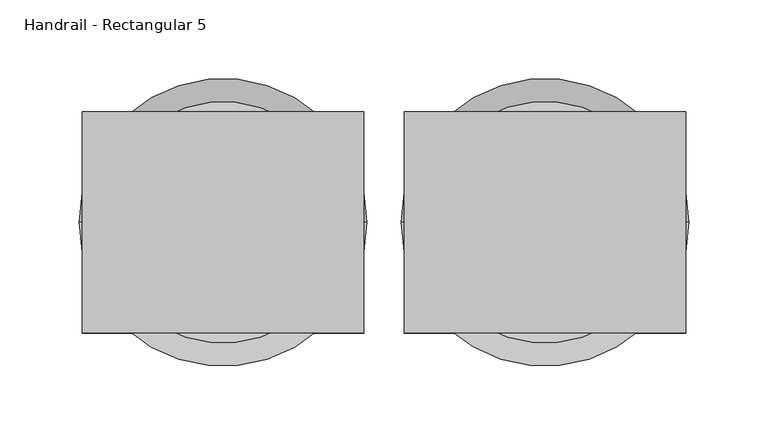
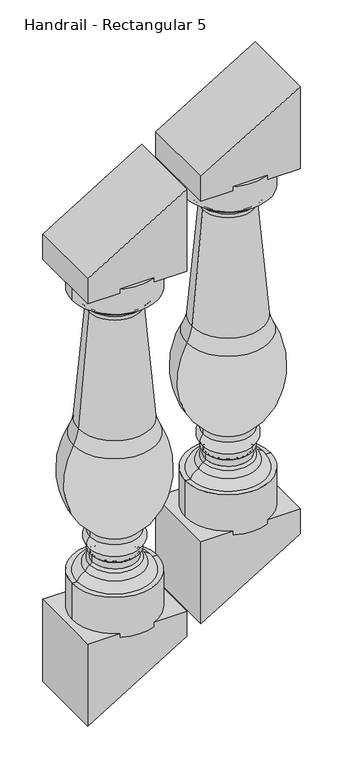
"""IFC4 building model written with IfcOpenShell, lengths in millimetres: railing geometry, Handrail - Rectangular 5."""

from ifc_helpers import new_model, si_unit, point, frame, origin, place, context, project, spatial, polyline, circle_curve, ellipse_curve, trimmed, outline, extrude, source, transform, mapped, element, save
from ifc_brep_helpers import plane_surface, cylinder_surface, revolved_surface, advanced_brep


def handrail_rectangular_5_54783609(model_context):
    return source(origin(), model_context, "Body", "SolidModel", [
        advanced_brep(
        [(13604.1027138, 4021.0919589, 1219.3905327), (13756.5027138, 4021.0919589, 1219.3905327), (13680.3027138, 4021.0919589, 1219.3905327), (13604.1027138, 4021.0919589, 1171.7146082), (13756.5027138, 4021.0919589, 1171.7146082), (13614.145945, 4021.0919589, 1171.7146082), (13746.4594825, 4021.0919589, 1171.7146082), (13625.6292349, 4021.0919589, 1160.2313184), (13734.9761926, 4021.0919589, 1160.2313184), (13625.6292349, 4021.0919589, 1154.6116619), (13734.9761926, 4021.0919589, 1154.6116619), (13631.331422, 4021.0919589, 1148.4672302), (13729.2740055, 4021.0919589, 1148.4672302), (13634.6732178, 4021.0919589, 1139.1084073), (13725.9322097, 4021.0919589, 1139.1084073), (13615.9057118, 4021.0919589, 923.7413545), (13744.6997157, 4021.0919589, 923.7413545), (13606.8884892, 4021.0919589, 895.7781171), (13753.7169383, 4021.0919589, 895.7781171), (13636.1593215, 4021.0919589, 723.0348628), (13724.4461061, 4021.0919589, 723.0348628), (13636.1593215, 4021.0919589, 712.7092481), (13724.4461061, 4021.0919589, 712.7092481), (13636.1593215, 4021.0919589, 690.1337978), (13724.4461061, 4021.0919589, 690.1337978), (13636.1593215, 4021.0919589, 679.8081831), (13724.4461061, 4021.0919589, 679.8081831), (13640.4697617, 4021.0919589, 675.4977429), (13720.1356658, 4021.0919589, 675.4977429), (13640.4697617, 4021.0919589, 663.7008538), (13720.1356658, 4021.0919589, 663.7008538), (13635.9719686, 4021.0919589, 659.3944871), (13724.6334589, 4021.0919589, 659.3944871), (13628.4515116, 4021.0919589, 649.3463196), (13732.1539159, 4021.0919589, 649.3463196), (13613.3029029, 4021.0919589, 635.1905327), (13747.3025247, 4021.0919589, 635.1905327), (13604.1027138, 4021.0919589, 635.1905327), (13756.5027138, 4021.0919589, 635.1905327), (13604.1027138, 4021.0919589, 558.9905327), (13756.5027138, 4021.0919589, 558.9905327), (13680.3027138, 4021.0919589, 558.9905327)],
        [
            (0, 1, circle_curve(frame((13680.3027138, 4021.0919589, 1219.3905327), z_axis=(0.0, 0.0, 1.0), x_axis=(1.0, 0.0, 0.0)), 76.2)),
            (1, 2),
            (2, 0),
            (1, 0, circle_curve(frame((13680.3027138, 4021.0919589, 1219.3905327), z_axis=(0.0, 0.0, 1.0), x_axis=(1.0, 0.0, 0.0)), 76.2)),
            (3, 4, circle_curve(frame((13680.3027138, 4021.0919589, 1171.7146082), z_axis=(0.0, 0.0, 1.0), x_axis=(1.0, 0.0, 0.0)), 76.2)),
            (4, 1),
            (0, 3),
            (4, 3, circle_curve(frame((13680.3027138, 4021.0919589, 1171.7146082), z_axis=(0.0, 0.0, 1.0), x_axis=(1.0, 0.0, 0.0)), 76.2)),
            (5, 6, circle_curve(frame((13680.3027138, 4021.0919589, 1171.7146082), z_axis=(0.0, 0.0, 1.0), x_axis=(1.0, 0.0, 0.0)), 66.1567687)),
            (6, 4),
            (3, 5),
            (6, 5, circle_curve(frame((13680.3027138, 4021.0919589, 1171.7146082), z_axis=(0.0, 0.0, 1.0), x_axis=(1.0, 0.0, 0.0)), 66.1567687)),
            (7, 8, circle_curve(frame((13680.3027138, 4021.0919589, 1160.2313184), z_axis=(0.0, 0.0, 1.0), x_axis=(1.0, 0.0, 0.0)), 54.6734788)),
            (8, 6, circle_curve(frame((13734.9761926, 4021.0919589, 1171.7146082), z_axis=(0.0, -1.0, 0.0), x_axis=(-1.0, 0.0, 0.0)), 11.4832899)),
            (5, 7, circle_curve(frame((13625.6292349, 4021.0919589, 1171.7146082), z_axis=(0.0, -1.0, 0.0), x_axis=(1.0, 0.0, 0.0)), 11.4832899)),
            (8, 7, circle_curve(frame((13680.3027138, 4021.0919589, 1160.2313184), z_axis=(0.0, 0.0, 1.0), x_axis=(1.0, 0.0, 0.0)), 54.6734788)),
            (9, 10, circle_curve(frame((13680.3027138, 4021.0919589, 1154.6116619), z_axis=(0.0, 0.0, 1.0), x_axis=(1.0, 0.0, 0.0)), 54.6734788)),
            (10, 8),
            (7, 9),
            (10, 9, circle_curve(frame((13680.3027138, 4021.0919589, 1154.6116619), z_axis=(0.0, 0.0, 1.0), x_axis=(1.0, 0.0, 0.0)), 54.6734788)),
            (11, 12, circle_curve(frame((13680.3027138, 4021.0919589, 1148.4672302), z_axis=(0.0, 0.0, 1.0), x_axis=(1.0, 0.0, 0.0)), 48.9712918)),
            (12, 10, circle_curve(frame((13742.685053, 4021.0919589, 1141.7395432), z_axis=(0.0, 1.0, 0.0), x_axis=(-1.0, 0.0, 0.0)), 15.0039317)),
            (9, 11, circle_curve(frame((13617.9203745, 4021.0919589, 1141.7395432), z_axis=(0.0, 1.0, 0.0), x_axis=(1.0, 0.0, 0.0)), 15.0039317)),
            (12, 11, circle_curve(frame((13680.3027138, 4021.0919589, 1148.4672302), z_axis=(0.0, 0.0, 1.0), x_axis=(1.0, 0.0, 0.0)), 48.9712918)),
            (13, 14, circle_curve(frame((13680.3027138, 4021.0919589, 1139.1084073), z_axis=(0.0, 0.0, 1.0), x_axis=(1.0, 0.0, 0.0)), 45.629496)),
            (14, 12, circle_curve(frame((13738.6100981, 4021.0919589, 1139.8575046), z_axis=(0.0, 1.0, 0.0), x_axis=(-1.0, 0.0, 0.0)), 12.7)),
            (11, 13, circle_curve(frame((13621.9953294, 4021.0919589, 1139.8575046), z_axis=(0.0, 1.0, 0.0), x_axis=(1.0, 0.0, 0.0)), 12.7)),
            (14, 13, circle_curve(frame((13680.3027138, 4021.0919589, 1139.1084073), z_axis=(0.0, 0.0, 1.0), x_axis=(1.0, 0.0, 0.0)), 45.629496)),
            (15, 16, circle_curve(frame((13680.3027138, 4021.0919589, 923.7413545), z_axis=(0.0, 0.0, 1.0), x_axis=(1.0, 0.0, 0.0)), 64.3970019)),
            (16, 14, circle_curve(frame((17593.3737342, 4021.0919589, 1367.6235767), z_axis=(0.0, 1.0, 0.0), x_axis=(-1.0, 0.0, 0.0)), 3874.1867698)),
            (13, 15, circle_curve(frame((9767.2316934, 4021.0919589, 1367.6235767), z_axis=(0.0, 1.0, 0.0), x_axis=(1.0, 0.0, 0.0)), 3874.1867698)),
            (16, 15, circle_curve(frame((13680.3027138, 4021.0919589, 923.7413545), z_axis=(0.0, 0.0, 1.0), x_axis=(1.0, 0.0, 0.0)), 64.3970019)),
            (17, 18, circle_curve(frame((13680.3027138, 4021.0919589, 895.7781171), z_axis=(0.0, 0.0, 1.0), x_axis=(1.0, 0.0, 0.0)), 73.4142246)),
            (18, 16, circle_curve(frame((13819.2193683, 4021.0919589, 932.3359897), z_axis=(0.0, 1.0, 0.0), x_axis=(-1.0, 0.0, 0.0)), 75.0136413)),
            (15, 17, circle_curve(frame((13541.3860592, 4021.0919589, 932.3359897), z_axis=(0.0, 1.0, 0.0), x_axis=(1.0, 0.0, 0.0)), 75.0136413)),
            (18, 17, circle_curve(frame((13680.3027138, 4021.0919589, 895.7781171), z_axis=(0.0, 0.0, 1.0), x_axis=(1.0, 0.0, 0.0)), 73.4142246)),
            (19, 20, circle_curve(frame((13680.3027138, 4021.0919589, 723.0348628), z_axis=(0.0, 0.0, 1.0), x_axis=(1.0, 0.0, 0.0)), 44.1433923)),
            (20, 18, circle_curve(frame((13631.594589, 4021.0919589, 827.6198321), z_axis=(0.0, -1.0, 0.0), x_axis=(-1.0, 0.0, 0.0)), 139.8549964)),
            (17, 19, circle_curve(frame((13729.0108385, 4021.0919589, 827.6198321), z_axis=(0.0, -1.0, 0.0), x_axis=(1.0, 0.0, 0.0)), 139.8549964)),
            (20, 19, circle_curve(frame((13680.3027138, 4021.0919589, 723.0348628), z_axis=(0.0, 0.0, 1.0), x_axis=(1.0, 0.0, 0.0)), 44.1433923)),
            (21, 22, circle_curve(frame((13680.3027138, 4021.0919589, 712.7092481), z_axis=(0.0, 0.0, 1.0), x_axis=(1.0, 0.0, 0.0)), 44.1433923)),
            (22, 20),
            (19, 21),
            (22, 21, circle_curve(frame((13680.3027138, 4021.0919589, 712.7092481), z_axis=(0.0, 0.0, 1.0), x_axis=(1.0, 0.0, 0.0)), 44.1433923)),
            (23, 24, circle_curve(frame((13680.3027138, 4021.0919589, 690.1337978), z_axis=(0.0, 0.0, 1.0), x_axis=(1.0, 0.0, 0.0)), 44.1433923)),
            (24, 22, circle_curve(frame((13716.1540782, 4021.0919589, 701.421523), z_axis=(0.0, -1.0, 0.0), x_axis=(-1.0, 0.0, 0.0)), 14.0060867)),
            (21, 23, circle_curve(frame((13644.4513493, 4021.0919589, 701.421523), z_axis=(0.0, -1.0, 0.0), x_axis=(1.0, 0.0, 0.0)), 14.0060867)),
            (24, 23, circle_curve(frame((13680.3027138, 4021.0919589, 690.1337978), z_axis=(0.0, 0.0, 1.0), x_axis=(1.0, 0.0, 0.0)), 44.1433923)),
            (25, 26, circle_curve(frame((13680.3027138, 4021.0919589, 679.8081831), z_axis=(0.0, 0.0, 1.0), x_axis=(1.0, 0.0, 0.0)), 44.1433923)),
            (26, 24),
            (23, 25),
            (26, 25, circle_curve(frame((13680.3027138, 4021.0919589, 679.8081831), z_axis=(0.0, 0.0, 1.0), x_axis=(1.0, 0.0, 0.0)), 44.1433923)),
            (27, 28, circle_curve(frame((13680.3027138, 4021.0919589, 675.4977429), z_axis=(0.0, 0.0, 1.0), x_axis=(1.0, 0.0, 0.0)), 39.8329521)),
            (28, 26, circle_curve(frame((13724.4461061, 4021.0919589, 675.4977429), z_axis=(0.0, 1.0, 0.0), x_axis=(-1.0, 0.0, 0.0)), 4.3104402)),
            (25, 27, circle_curve(frame((13636.1593215, 4021.0919589, 675.4977429), z_axis=(0.0, 1.0, 0.0), x_axis=(1.0, 0.0, 0.0)), 4.3104402)),
            (28, 27, circle_curve(frame((13680.3027138, 4021.0919589, 675.4977429), z_axis=(0.0, 0.0, 1.0), x_axis=(1.0, 0.0, 0.0)), 39.8329521)),
            (29, 30, circle_curve(frame((13680.3027138, 4021.0919589, 663.7008538), z_axis=(0.0, 0.0, 1.0), x_axis=(1.0, 0.0, 0.0)), 39.8329521)),
            (30, 28),
            (27, 29),
            (30, 29, circle_curve(frame((13680.3027138, 4021.0919589, 663.7008538), z_axis=(0.0, 0.0, 1.0), x_axis=(1.0, 0.0, 0.0)), 39.8329521)),
            (31, 32, circle_curve(frame((13680.3027138, 4021.0919589, 659.3944871), z_axis=(0.0, 0.0, 1.0), x_axis=(1.0, 0.0, 0.0)), 44.3307451)),
            (32, 30, circle_curve(frame((13724.4461061, 4021.0919589, 663.7008538), z_axis=(0.0, 1.0, 0.0), x_axis=(-1.0, 0.0, 0.0)), 4.3104402)),
            (29, 31, circle_curve(frame((13636.1593215, 4021.0919589, 663.7008538), z_axis=(0.0, 1.0, 0.0), x_axis=(1.0, 0.0, 0.0)), 4.3104402)),
            (32, 31, circle_curve(frame((13680.3027138, 4021.0919589, 659.3944871), z_axis=(0.0, 0.0, 1.0), x_axis=(1.0, 0.0, 0.0)), 44.3307451)),
            (33, 34, circle_curve(frame((13680.3027138, 4021.0919589, 649.3463196), z_axis=(0.0, 0.0, 1.0), x_axis=(1.0, 0.0, 0.0)), 51.8512022)),
            (34, 32, circle_curve(frame((13717.5145996, 4021.0919589, 646.2280518), z_axis=(0.0, -1.0, 0.0), x_axis=(-1.0, 0.0, 0.0)), 14.9677378)),
            (31, 33, circle_curve(frame((13643.0908279, 4021.0919589, 646.2280518), z_axis=(0.0, -1.0, 0.0), x_axis=(1.0, 0.0, 0.0)), 14.9677378)),
            (34, 33, circle_curve(frame((13680.3027138, 4021.0919589, 649.3463196), z_axis=(0.0, 0.0, 1.0), x_axis=(1.0, 0.0, 0.0)), 51.8512022)),
            (35, 36, circle_curve(frame((13680.3027138, 4021.0919589, 635.1905327), z_axis=(0.0, 0.0, 1.0), x_axis=(1.0, 0.0, 0.0)), 66.9998109)),
            (36, 34, circle_curve(frame((13726.9050679, 4021.0919589, 628.5459168), z_axis=(0.0, -1.0, 0.0), x_axis=(-1.0, 0.0, 0.0)), 21.4524396)),
            (33, 35, circle_curve(frame((13633.7003597, 4021.0919589, 628.5459168), z_axis=(0.0, -1.0, 0.0), x_axis=(1.0, 0.0, 0.0)), 21.4524396)),
            (36, 35, circle_curve(frame((13680.3027138, 4021.0919589, 635.1905327), z_axis=(0.0, 0.0, 1.0), x_axis=(1.0, 0.0, 0.0)), 66.9998109)),
            (37, 38, circle_curve(frame((13680.3027138, 4021.0919589, 635.1905327), z_axis=(0.0, 0.0, 1.0), x_axis=(1.0, 0.0, 0.0)), 76.2)),
            (38, 36),
            (35, 37),
            (38, 37, circle_curve(frame((13680.3027138, 4021.0919589, 635.1905327), z_axis=(0.0, 0.0, 1.0), x_axis=(1.0, 0.0, 0.0)), 76.2)),
            (39, 40, circle_curve(frame((13680.3027138, 4021.0919589, 558.9905327), z_axis=(0.0, 0.0, 1.0), x_axis=(1.0, 0.0, 0.0)), 76.2)),
            (40, 38),
            (37, 39),
            (40, 39, circle_curve(frame((13680.3027138, 4021.0919589, 558.9905327), z_axis=(0.0, 0.0, 1.0), x_axis=(1.0, 0.0, 0.0)), 76.2)),
            (41, 40),
            (39, 41),
        ],
        [
            plane_surface(frame((13680.3027138, 4021.0919589, 1219.3905327), z_axis=(0.0, 0.0, 1.0), x_axis=(1.0, 0.0, 0.0))),
            cylinder_surface(frame((13680.3027138, 4021.0919589, 1187.6405327), z_axis=(0.0, 0.0, -1.0), x_axis=(1.0, 0.0, 0.0)), 76.2),
            plane_surface(frame((13680.3027138, 4021.0919589, 1171.7146082), z_axis=(0.0, 0.0, -1.0), x_axis=(1.0, 0.0, 0.0))),
            revolved_surface(trimmed(ellipse_curve(frame((13734.9761926, 4021.0919589, 1171.7146082), z_axis=(0.0, 1.0, 0.0), x_axis=(-1.0, 0.0, 0.0)), 11.4832899, 11.4832899), [point((13746.4594825, 4021.0919589, 1171.7146082))], [point((13734.9761926, 4021.0919589, 1160.2313184))], True, "CARTESIAN"), (13680.3027138, 4021.0919589, 1187.6405327), (0.0, 0.0, -1.0)),
            cylinder_surface(frame((13680.3027138, 4021.0919589, 1187.6405327), z_axis=(0.0, 0.0, -1.0), x_axis=(1.0, 0.0, 0.0)), 54.6734788),
            revolved_surface(trimmed(ellipse_curve(frame((13742.685053, 4021.0919589, 1141.7395432), z_axis=(0.0, -1.0, 0.0), x_axis=(-1.0, 0.0, 0.0)), 15.0039317, 15.0039317), [point((13734.9761926, 4021.0919589, 1154.6116619))], [point((13729.2740055, 4021.0919589, 1148.4672302))], True, "CARTESIAN"), (13680.3027138, 4021.0919589, 1187.6405327), (0.0, 0.0, -1.0)),
            revolved_surface(trimmed(ellipse_curve(frame((13738.6100981, 4021.0919589, 1139.8575046), z_axis=(0.0, -1.0, 0.0), x_axis=(-1.0, 0.0, 0.0)), 12.7, 12.7), [point((13729.2740055, 4021.0919589, 1148.4672302))], [point((13725.9322097, 4021.0919589, 1139.1084073))], True, "CARTESIAN"), (13680.3027138, 4021.0919589, 1187.6405327), (0.0, 0.0, -1.0)),
            revolved_surface(trimmed(ellipse_curve(frame((17593.3737342, 4021.0919589, 1367.6235767), z_axis=(0.0, -1.0, 0.0), x_axis=(-1.0, 0.0, 0.0)), 3874.1867698, 3874.1867698), [point((13725.9322097, 4021.0919589, 1139.1084073))], [point((13744.6997157, 4021.0919589, 923.7413545))], True, "CARTESIAN"), (13680.3027138, 4021.0919589, 1187.6405327), (0.0, 0.0, -1.0)),
            revolved_surface(trimmed(ellipse_curve(frame((13819.2193683, 4021.0919589, 932.3359897), z_axis=(0.0, -1.0, 0.0), x_axis=(-1.0, 0.0, 0.0)), 75.0136413, 75.0136413), [point((13744.6997157, 4021.0919589, 923.7413545))], [point((13753.7169383, 4021.0919589, 895.7781171))], True, "CARTESIAN"), (13680.3027138, 4021.0919589, 1187.6405327), (0.0, 0.0, -1.0)),
            revolved_surface(trimmed(ellipse_curve(frame((13631.594589, 4021.0919589, 827.6198321), z_axis=(0.0, 1.0, 0.0), x_axis=(-1.0, 0.0, 0.0)), 139.8549964, 139.8549964), [point((13753.7169383, 4021.0919589, 895.7781171))], [point((13724.4461061, 4021.0919589, 723.0348628))], True, "CARTESIAN"), (13680.3027138, 4021.0919589, 1187.6405327), (0.0, 0.0, -1.0)),
            cylinder_surface(frame((13680.3027138, 4021.0919589, 1187.6405327), z_axis=(0.0, 0.0, -1.0), x_axis=(1.0, 0.0, 0.0)), 44.1433923),
            revolved_surface(trimmed(ellipse_curve(frame((13716.1540782, 4021.0919589, 701.421523), z_axis=(0.0, 1.0, 0.0), x_axis=(-1.0, 0.0, 0.0)), 14.0060867, 14.0060867), [point((13724.4461061, 4021.0919589, 712.7092481))], [point((13724.4461061, 4021.0919589, 690.1337978))], True, "CARTESIAN"), (13680.3027138, 4021.0919589, 1187.6405327), (0.0, 0.0, -1.0)),
            revolved_surface(trimmed(ellipse_curve(frame((13724.4461061, 4021.0919589, 675.4977429), z_axis=(0.0, -1.0, 0.0), x_axis=(-1.0, 0.0, 0.0)), 4.3104402, 4.3104402), [point((13724.4461061, 4021.0919589, 679.8081831))], [point((13720.1356658, 4021.0919589, 675.4977429))], True, "CARTESIAN"), (13680.3027138, 4021.0919589, 1187.6405327), (0.0, 0.0, -1.0)),
            cylinder_surface(frame((13680.3027138, 4021.0919589, 1187.6405327), z_axis=(0.0, 0.0, -1.0), x_axis=(1.0, 0.0, 0.0)), 39.8329521),
            revolved_surface(trimmed(ellipse_curve(frame((13724.4461061, 4021.0919589, 663.7008538), z_axis=(0.0, -1.0, 0.0), x_axis=(-1.0, 0.0, 0.0)), 4.3104402, 4.3104402), [point((13720.1356658, 4021.0919589, 663.7008538))], [point((13724.6334589, 4021.0919589, 659.3944871))], True, "CARTESIAN"), (13680.3027138, 4021.0919589, 1187.6405327), (0.0, 0.0, -1.0)),
            revolved_surface(trimmed(ellipse_curve(frame((13717.5145996, 4021.0919589, 646.2280518), z_axis=(0.0, 1.0, 0.0), x_axis=(-1.0, 0.0, 0.0)), 14.9677378, 14.9677378), [point((13724.6334589, 4021.0919589, 659.3944871))], [point((13732.1539159, 4021.0919589, 649.3463196))], True, "CARTESIAN"), (13680.3027138, 4021.0919589, 1187.6405327), (0.0, 0.0, -1.0)),
            revolved_surface(trimmed(ellipse_curve(frame((13726.9050679, 4021.0919589, 628.5459168), z_axis=(0.0, 1.0, 0.0), x_axis=(-1.0, 0.0, 0.0)), 21.4524396, 21.4524396), [point((13732.1539159, 4021.0919589, 649.3463196))], [point((13747.3025247, 4021.0919589, 635.1905327))], True, "CARTESIAN"), (13680.3027138, 4021.0919589, 1187.6405327), (0.0, 0.0, -1.0)),
            plane_surface(frame((13680.3027138, 4021.0919589, 635.1905327), z_axis=(0.0, 0.0, 1.0), x_axis=(1.0, 0.0, 0.0))),
            plane_surface(frame((13680.3027138, 4021.0919589, 558.9905327), z_axis=(0.0, 0.0, -1.0), x_axis=(1.0, 0.0, 0.0))),
        ],
        [
            (0, [[1, 2, 3]]),
            (0, [[4, -3, -2]]),
            (1, [[5, 6, -1, 7]]),
            (1, [[8, -7, -4, -6]]),
            (2, [[9, 10, -5, 11]]),
            (2, [[12, -11, -8, -10]]),
            (3, [[13, 14, -9, 15]]),
            (3, [[16, -15, -12, -14]]),
            (4, [[17, 18, -13, 19]]),
            (4, [[20, -19, -16, -18]]),
            (5, [[21, 22, -17, 23]]),
            (5, [[24, -23, -20, -22]]),
            (6, [[25, 26, -21, 27]]),
            (6, [[28, -27, -24, -26]]),
            (7, [[29, 30, -25, 31]]),
            (7, [[32, -31, -28, -30]]),
            (8, [[33, 34, -29, 35]]),
            (8, [[36, -35, -32, -34]]),
            (9, [[37, 38, -33, 39]]),
            (9, [[40, -39, -36, -38]]),
            (10, [[41, 42, -37, 43]]),
            (10, [[44, -43, -40, -42]]),
            (11, [[45, 46, -41, 47]]),
            (11, [[48, -47, -44, -46]]),
            (10, [[49, 50, -45, 51]]),
            (10, [[52, -51, -48, -50]]),
            (12, [[53, 54, -49, 55]]),
            (12, [[56, -55, -52, -54]]),
            (13, [[57, 58, -53, 59]]),
            (13, [[60, -59, -56, -58]]),
            (14, [[61, 62, -57, 63]]),
            (14, [[64, -63, -60, -62]]),
            (15, [[65, 66, -61, 67]]),
            (15, [[68, -67, -64, -66]]),
            (16, [[69, 70, -65, 71]]),
            (16, [[72, -71, -68, -70]]),
            (17, [[73, 74, -69, 75]]),
            (17, [[76, -75, -72, -74]]),
            (1, [[77, 78, -73, 79]]),
            (1, [[80, -79, -76, -78]]),
            (18, [[81, -77, 82]]),
            (18, [[-82, -80, -81]]),
        ],
    ),
        extrude(outline(polyline([(566.7856061, 13769.2027138), (566.7856061, 13591.4027138), (411.3068182, 13591.4027138), (519.0643939, 13769.2027138), (566.7856061, 13769.2027138)])), frame((0.0, 3951.2419589, 0.0), z_axis=(0.0, 1.0, 0.0), x_axis=(0.0, 0.0, 1.0)), (0.0, 0.0, 1.0), 139.7),
        extrude(outline(polyline([(1211.5954594, 13591.4027138), (1211.5954594, 13769.2027138), (1367.0742472, 13769.2027138), (1259.3166715, 13591.4027138), (1211.5954594, 13591.4027138)])), frame((0.0, 3951.2419589, 0.0), z_axis=(0.0, 1.0, 0.0), x_axis=(0.0, 0.0, 1.0)), (0.0, 0.0, 1.0), 139.7),
        advanced_brep(
        [(13400.9027138, 4021.0919589, 1096.2390176), (13553.3027138, 4021.0919589, 1096.2390176), (13477.1027138, 4021.0919589, 1096.2390176), (13400.9027138, 4021.0919589, 1048.5630931), (13553.3027138, 4021.0919589, 1048.5630931), (13410.945945, 4021.0919589, 1048.5630931), (13543.2594825, 4021.0919589, 1048.5630931), (13422.4292349, 4021.0919589, 1037.0798032), (13531.7761926, 4021.0919589, 1037.0798032), (13422.4292349, 4021.0919589, 1031.4601467), (13531.7761926, 4021.0919589, 1031.4601467), (13428.131422, 4021.0919589, 1025.3157151), (13526.0740055, 4021.0919589, 1025.3157151), (13431.4732178, 4021.0919589, 1015.9568922), (13522.7322097, 4021.0919589, 1015.9568922), (13412.7057118, 4021.0919589, 800.5898394), (13541.4997157, 4021.0919589, 800.5898394), (13403.6884892, 4021.0919589, 772.6266019), (13550.5169383, 4021.0919589, 772.6266019), (13432.9593215, 4021.0919589, 599.8833476), (13521.2461061, 4021.0919589, 599.8833476), (13432.9593215, 4021.0919589, 589.5577329), (13521.2461061, 4021.0919589, 589.5577329), (13432.9593215, 4021.0919589, 566.9822827), (13521.2461061, 4021.0919589, 566.9822827), (13432.9593215, 4021.0919589, 556.656668), (13521.2461061, 4021.0919589, 556.656668), (13437.2697617, 4021.0919589, 552.3462277), (13516.9356658, 4021.0919589, 552.3462277), (13437.2697617, 4021.0919589, 540.5493386), (13516.9356658, 4021.0919589, 540.5493386), (13432.7719686, 4021.0919589, 536.2429719), (13521.4334589, 4021.0919589, 536.2429719), (13425.2515116, 4021.0919589, 526.1948045), (13528.9539159, 4021.0919589, 526.1948045), (13410.1029029, 4021.0919589, 512.0390176), (13544.1025247, 4021.0919589, 512.0390176), (13400.9027138, 4021.0919589, 512.0390176), (13553.3027138, 4021.0919589, 512.0390176), (13400.9027138, 4021.0919589, 435.8390176), (13553.3027138, 4021.0919589, 435.8390176), (13477.1027138, 4021.0919589, 435.8390176)],
        [
            (0, 1, circle_curve(frame((13477.1027138, 4021.0919589, 1096.2390176), z_axis=(0.0, 0.0, 1.0), x_axis=(1.0, 0.0, 0.0)), 76.2)),
            (1, 2),
            (2, 0),
            (1, 0, circle_curve(frame((13477.1027138, 4021.0919589, 1096.2390176), z_axis=(0.0, 0.0, 1.0), x_axis=(1.0, 0.0, 0.0)), 76.2)),
            (3, 4, circle_curve(frame((13477.1027138, 4021.0919589, 1048.5630931), z_axis=(0.0, 0.0, 1.0), x_axis=(1.0, 0.0, 0.0)), 76.2)),
            (4, 1),
            (0, 3),
            (4, 3, circle_curve(frame((13477.1027138, 4021.0919589, 1048.5630931), z_axis=(0.0, 0.0, 1.0), x_axis=(1.0, 0.0, 0.0)), 76.2)),
            (5, 6, circle_curve(frame((13477.1027138, 4021.0919589, 1048.5630931), z_axis=(0.0, 0.0, 1.0), x_axis=(1.0, 0.0, 0.0)), 66.1567687)),
            (6, 4),
            (3, 5),
            (6, 5, circle_curve(frame((13477.1027138, 4021.0919589, 1048.5630931), z_axis=(0.0, 0.0, 1.0), x_axis=(1.0, 0.0, 0.0)), 66.1567687)),
            (7, 8, circle_curve(frame((13477.1027138, 4021.0919589, 1037.0798032), z_axis=(0.0, 0.0, 1.0), x_axis=(1.0, 0.0, 0.0)), 54.6734788)),
            (8, 6, circle_curve(frame((13531.7761926, 4021.0919589, 1048.5630931), z_axis=(0.0, -1.0, 0.0), x_axis=(-1.0, 0.0, 0.0)), 11.4832899)),
            (5, 7, circle_curve(frame((13422.4292349, 4021.0919589, 1048.5630931), z_axis=(0.0, -1.0, 0.0), x_axis=(1.0, 0.0, 0.0)), 11.4832899)),
            (8, 7, circle_curve(frame((13477.1027138, 4021.0919589, 1037.0798032), z_axis=(0.0, 0.0, 1.0), x_axis=(1.0, 0.0, 0.0)), 54.6734788)),
            (9, 10, circle_curve(frame((13477.1027138, 4021.0919589, 1031.4601467), z_axis=(0.0, 0.0, 1.0), x_axis=(1.0, 0.0, 0.0)), 54.6734788)),
            (10, 8),
            (7, 9),
            (10, 9, circle_curve(frame((13477.1027138, 4021.0919589, 1031.4601467), z_axis=(0.0, 0.0, 1.0), x_axis=(1.0, 0.0, 0.0)), 54.6734788)),
            (11, 12, circle_curve(frame((13477.1027138, 4021.0919589, 1025.3157151), z_axis=(0.0, 0.0, 1.0), x_axis=(1.0, 0.0, 0.0)), 48.9712918)),
            (12, 10, circle_curve(frame((13539.485053, 4021.0919589, 1018.5880281), z_axis=(0.0, 1.0, 0.0), x_axis=(-1.0, 0.0, 0.0)), 15.0039317)),
            (9, 11, circle_curve(frame((13414.7203745, 4021.0919589, 1018.5880281), z_axis=(0.0, 1.0, 0.0), x_axis=(1.0, 0.0, 0.0)), 15.0039317)),
            (12, 11, circle_curve(frame((13477.1027138, 4021.0919589, 1025.3157151), z_axis=(0.0, 0.0, 1.0), x_axis=(1.0, 0.0, 0.0)), 48.9712918)),
            (13, 14, circle_curve(frame((13477.1027138, 4021.0919589, 1015.9568922), z_axis=(0.0, 0.0, 1.0), x_axis=(1.0, 0.0, 0.0)), 45.629496)),
            (14, 12, circle_curve(frame((13535.4100981, 4021.0919589, 1016.7059894), z_axis=(0.0, 1.0, 0.0), x_axis=(-1.0, 0.0, 0.0)), 12.7)),
            (11, 13, circle_curve(frame((13418.7953294, 4021.0919589, 1016.7059894), z_axis=(0.0, 1.0, 0.0), x_axis=(1.0, 0.0, 0.0)), 12.7)),
            (14, 13, circle_curve(frame((13477.1027138, 4021.0919589, 1015.9568922), z_axis=(0.0, 0.0, 1.0), x_axis=(1.0, 0.0, 0.0)), 45.629496)),
            (15, 16, circle_curve(frame((13477.1027138, 4021.0919589, 800.5898394), z_axis=(0.0, 0.0, 1.0), x_axis=(1.0, 0.0, 0.0)), 64.3970019)),
            (16, 14, circle_curve(frame((17390.1737342, 4021.0919589, 1244.4720615), z_axis=(0.0, 1.0, 0.0), x_axis=(-1.0, 0.0, 0.0)), 3874.1867698)),
            (13, 15, circle_curve(frame((9564.0316934, 4021.0919589, 1244.4720615), z_axis=(0.0, 1.0, 0.0), x_axis=(1.0, 0.0, 0.0)), 3874.1867698)),
            (16, 15, circle_curve(frame((13477.1027138, 4021.0919589, 800.5898394), z_axis=(0.0, 0.0, 1.0), x_axis=(1.0, 0.0, 0.0)), 64.3970019)),
            (17, 18, circle_curve(frame((13477.1027138, 4021.0919589, 772.6266019), z_axis=(0.0, 0.0, 1.0), x_axis=(1.0, 0.0, 0.0)), 73.4142246)),
            (18, 16, circle_curve(frame((13616.0193683, 4021.0919589, 809.1844745), z_axis=(0.0, 1.0, 0.0), x_axis=(-1.0, 0.0, 0.0)), 75.0136413)),
            (15, 17, circle_curve(frame((13338.1860592, 4021.0919589, 809.1844745), z_axis=(0.0, 1.0, 0.0), x_axis=(1.0, 0.0, 0.0)), 75.0136413)),
            (18, 17, circle_curve(frame((13477.1027138, 4021.0919589, 772.6266019), z_axis=(0.0, 0.0, 1.0), x_axis=(1.0, 0.0, 0.0)), 73.4142246)),
            (19, 20, circle_curve(frame((13477.1027138, 4021.0919589, 599.8833476), z_axis=(0.0, 0.0, 1.0), x_axis=(1.0, 0.0, 0.0)), 44.1433923)),
            (20, 18, circle_curve(frame((13428.394589, 4021.0919589, 704.4683169), z_axis=(0.0, -1.0, 0.0), x_axis=(-1.0, 0.0, 0.0)), 139.8549964)),
            (17, 19, circle_curve(frame((13525.8108385, 4021.0919589, 704.4683169), z_axis=(0.0, -1.0, 0.0), x_axis=(1.0, 0.0, 0.0)), 139.8549964)),
            (20, 19, circle_curve(frame((13477.1027138, 4021.0919589, 599.8833476), z_axis=(0.0, 0.0, 1.0), x_axis=(1.0, 0.0, 0.0)), 44.1433923)),
            (21, 22, circle_curve(frame((13477.1027138, 4021.0919589, 589.5577329), z_axis=(0.0, 0.0, 1.0), x_axis=(1.0, 0.0, 0.0)), 44.1433923)),
            (22, 20),
            (19, 21),
            (22, 21, circle_curve(frame((13477.1027138, 4021.0919589, 589.5577329), z_axis=(0.0, 0.0, 1.0), x_axis=(1.0, 0.0, 0.0)), 44.1433923)),
            (23, 24, circle_curve(frame((13477.1027138, 4021.0919589, 566.9822827), z_axis=(0.0, 0.0, 1.0), x_axis=(1.0, 0.0, 0.0)), 44.1433923)),
            (24, 22, circle_curve(frame((13512.9540782, 4021.0919589, 578.2700078), z_axis=(0.0, -1.0, 0.0), x_axis=(-1.0, 0.0, 0.0)), 14.0060867)),
            (21, 23, circle_curve(frame((13441.2513493, 4021.0919589, 578.2700078), z_axis=(0.0, -1.0, 0.0), x_axis=(1.0, 0.0, 0.0)), 14.0060867)),
            (24, 23, circle_curve(frame((13477.1027138, 4021.0919589, 566.9822827), z_axis=(0.0, 0.0, 1.0), x_axis=(1.0, 0.0, 0.0)), 44.1433923)),
            (25, 26, circle_curve(frame((13477.1027138, 4021.0919589, 556.656668), z_axis=(0.0, 0.0, 1.0), x_axis=(1.0, 0.0, 0.0)), 44.1433923)),
            (26, 24),
            (23, 25),
            (26, 25, circle_curve(frame((13477.1027138, 4021.0919589, 556.656668), z_axis=(0.0, 0.0, 1.0), x_axis=(1.0, 0.0, 0.0)), 44.1433923)),
            (27, 28, circle_curve(frame((13477.1027138, 4021.0919589, 552.3462277), z_axis=(0.0, 0.0, 1.0), x_axis=(1.0, 0.0, 0.0)), 39.8329521)),
            (28, 26, circle_curve(frame((13521.2461061, 4021.0919589, 552.3462277), z_axis=(0.0, 1.0, 0.0), x_axis=(-1.0, 0.0, 0.0)), 4.3104402)),
            (25, 27, circle_curve(frame((13432.9593215, 4021.0919589, 552.3462277), z_axis=(0.0, 1.0, 0.0), x_axis=(1.0, 0.0, 0.0)), 4.3104402)),
            (28, 27, circle_curve(frame((13477.1027138, 4021.0919589, 552.3462277), z_axis=(0.0, 0.0, 1.0), x_axis=(1.0, 0.0, 0.0)), 39.8329521)),
            (29, 30, circle_curve(frame((13477.1027138, 4021.0919589, 540.5493386), z_axis=(0.0, 0.0, 1.0), x_axis=(1.0, 0.0, 0.0)), 39.8329521)),
            (30, 28),
            (27, 29),
            (30, 29, circle_curve(frame((13477.1027138, 4021.0919589, 540.5493386), z_axis=(0.0, 0.0, 1.0), x_axis=(1.0, 0.0, 0.0)), 39.8329521)),
            (31, 32, circle_curve(frame((13477.1027138, 4021.0919589, 536.2429719), z_axis=(0.0, 0.0, 1.0), x_axis=(1.0, 0.0, 0.0)), 44.3307451)),
            (32, 30, circle_curve(frame((13521.2461061, 4021.0919589, 540.5493386), z_axis=(0.0, 1.0, 0.0), x_axis=(-1.0, 0.0, 0.0)), 4.3104402)),
            (29, 31, circle_curve(frame((13432.9593215, 4021.0919589, 540.5493386), z_axis=(0.0, 1.0, 0.0), x_axis=(1.0, 0.0, 0.0)), 4.3104402)),
            (32, 31, circle_curve(frame((13477.1027138, 4021.0919589, 536.2429719), z_axis=(0.0, 0.0, 1.0), x_axis=(1.0, 0.0, 0.0)), 44.3307451)),
            (33, 34, circle_curve(frame((13477.1027138, 4021.0919589, 526.1948045), z_axis=(0.0, 0.0, 1.0), x_axis=(1.0, 0.0, 0.0)), 51.8512022)),
            (34, 32, circle_curve(frame((13514.3145996, 4021.0919589, 523.0765366), z_axis=(0.0, -1.0, 0.0), x_axis=(-1.0, 0.0, 0.0)), 14.9677378)),
            (31, 33, circle_curve(frame((13439.8908279, 4021.0919589, 523.0765366), z_axis=(0.0, -1.0, 0.0), x_axis=(1.0, 0.0, 0.0)), 14.9677378)),
            (34, 33, circle_curve(frame((13477.1027138, 4021.0919589, 526.1948045), z_axis=(0.0, 0.0, 1.0), x_axis=(1.0, 0.0, 0.0)), 51.8512022)),
            (35, 36, circle_curve(frame((13477.1027138, 4021.0919589, 512.0390176), z_axis=(0.0, 0.0, 1.0), x_axis=(1.0, 0.0, 0.0)), 66.9998109)),
            (36, 34, circle_curve(frame((13523.7050679, 4021.0919589, 505.3944016), z_axis=(0.0, -1.0, 0.0), x_axis=(-1.0, 0.0, 0.0)), 21.4524396)),
            (33, 35, circle_curve(frame((13430.5003597, 4021.0919589, 505.3944016), z_axis=(0.0, -1.0, 0.0), x_axis=(1.0, 0.0, 0.0)), 21.4524396)),
            (36, 35, circle_curve(frame((13477.1027138, 4021.0919589, 512.0390176), z_axis=(0.0, 0.0, 1.0), x_axis=(1.0, 0.0, 0.0)), 66.9998109)),
            (37, 38, circle_curve(frame((13477.1027138, 4021.0919589, 512.0390176), z_axis=(0.0, 0.0, 1.0), x_axis=(1.0, 0.0, 0.0)), 76.2)),
            (38, 36),
            (35, 37),
            (38, 37, circle_curve(frame((13477.1027138, 4021.0919589, 512.0390176), z_axis=(0.0, 0.0, 1.0), x_axis=(1.0, 0.0, 0.0)), 76.2)),
            (39, 40, circle_curve(frame((13477.1027138, 4021.0919589, 435.8390176), z_axis=(0.0, 0.0, 1.0), x_axis=(1.0, 0.0, 0.0)), 76.2)),
            (40, 38),
            (37, 39),
            (40, 39, circle_curve(frame((13477.1027138, 4021.0919589, 435.8390176), z_axis=(0.0, 0.0, 1.0), x_axis=(1.0, 0.0, 0.0)), 76.2)),
            (41, 40),
            (39, 41),
        ],
        [
            plane_surface(frame((13477.1027138, 4021.0919589, 1096.2390176), z_axis=(0.0, 0.0, 1.0), x_axis=(1.0, 0.0, 0.0))),
            cylinder_surface(frame((13477.1027138, 4021.0919589, 1064.4890176), z_axis=(0.0, 0.0, -1.0), x_axis=(1.0, 0.0, 0.0)), 76.2),
            plane_surface(frame((13477.1027138, 4021.0919589, 1048.5630931), z_axis=(0.0, 0.0, -1.0), x_axis=(1.0, 0.0, 0.0))),
            revolved_surface(trimmed(ellipse_curve(frame((13531.7761926, 4021.0919589, 1048.5630931), z_axis=(0.0, 1.0, 0.0), x_axis=(-1.0, 0.0, 0.0)), 11.4832899, 11.4832899), [point((13543.2594825, 4021.0919589, 1048.5630931))], [point((13531.7761926, 4021.0919589, 1037.0798032))], True, "CARTESIAN"), (13477.1027138, 4021.0919589, 1064.4890176), (0.0, 0.0, -1.0)),
            cylinder_surface(frame((13477.1027138, 4021.0919589, 1064.4890176), z_axis=(0.0, 0.0, -1.0), x_axis=(1.0, 0.0, 0.0)), 54.6734788),
            revolved_surface(trimmed(ellipse_curve(frame((13539.485053, 4021.0919589, 1018.5880281), z_axis=(0.0, -1.0, 0.0), x_axis=(-1.0, 0.0, 0.0)), 15.0039317, 15.0039317), [point((13531.7761926, 4021.0919589, 1031.4601467))], [point((13526.0740055, 4021.0919589, 1025.3157151))], True, "CARTESIAN"), (13477.1027138, 4021.0919589, 1064.4890176), (0.0, 0.0, -1.0)),
            revolved_surface(trimmed(ellipse_curve(frame((13535.4100981, 4021.0919589, 1016.7059894), z_axis=(0.0, -1.0, 0.0), x_axis=(-1.0, 0.0, 0.0)), 12.7, 12.7), [point((13526.0740055, 4021.0919589, 1025.3157151))], [point((13522.7322097, 4021.0919589, 1015.9568922))], True, "CARTESIAN"), (13477.1027138, 4021.0919589, 1064.4890176), (0.0, 0.0, -1.0)),
            revolved_surface(trimmed(ellipse_curve(frame((17390.1737342, 4021.0919589, 1244.4720615), z_axis=(0.0, -1.0, 0.0), x_axis=(-1.0, 0.0, 0.0)), 3874.1867698, 3874.1867698), [point((13522.7322097, 4021.0919589, 1015.9568922))], [point((13541.4997157, 4021.0919589, 800.5898394))], True, "CARTESIAN"), (13477.1027138, 4021.0919589, 1064.4890176), (0.0, 0.0, -1.0)),
            revolved_surface(trimmed(ellipse_curve(frame((13616.0193683, 4021.0919589, 809.1844745), z_axis=(0.0, -1.0, 0.0), x_axis=(-1.0, 0.0, 0.0)), 75.0136413, 75.0136413), [point((13541.4997157, 4021.0919589, 800.5898394))], [point((13550.5169383, 4021.0919589, 772.6266019))], True, "CARTESIAN"), (13477.1027138, 4021.0919589, 1064.4890176), (0.0, 0.0, -1.0)),
            revolved_surface(trimmed(ellipse_curve(frame((13428.394589, 4021.0919589, 704.4683169), z_axis=(0.0, 1.0, 0.0), x_axis=(-1.0, 0.0, 0.0)), 139.8549964, 139.8549964), [point((13550.5169383, 4021.0919589, 772.6266019))], [point((13521.2461061, 4021.0919589, 599.8833476))], True, "CARTESIAN"), (13477.1027138, 4021.0919589, 1064.4890176), (0.0, 0.0, -1.0)),
            cylinder_surface(frame((13477.1027138, 4021.0919589, 1064.4890176), z_axis=(0.0, 0.0, -1.0), x_axis=(1.0, 0.0, 0.0)), 44.1433923),
            revolved_surface(trimmed(ellipse_curve(frame((13512.9540782, 4021.0919589, 578.2700078), z_axis=(0.0, 1.0, 0.0), x_axis=(-1.0, 0.0, 0.0)), 14.0060867, 14.0060867), [point((13521.2461061, 4021.0919589, 589.5577329))], [point((13521.2461061, 4021.0919589, 566.9822827))], True, "CARTESIAN"), (13477.1027138, 4021.0919589, 1064.4890176), (0.0, 0.0, -1.0)),
            revolved_surface(trimmed(ellipse_curve(frame((13521.2461061, 4021.0919589, 552.3462277), z_axis=(0.0, -1.0, 0.0), x_axis=(-1.0, 0.0, 0.0)), 4.3104402, 4.3104402), [point((13521.2461061, 4021.0919589, 556.656668))], [point((13516.9356658, 4021.0919589, 552.3462277))], True, "CARTESIAN"), (13477.1027138, 4021.0919589, 1064.4890176), (0.0, 0.0, -1.0)),
            cylinder_surface(frame((13477.1027138, 4021.0919589, 1064.4890176), z_axis=(0.0, 0.0, -1.0), x_axis=(1.0, 0.0, 0.0)), 39.8329521),
            revolved_surface(trimmed(ellipse_curve(frame((13521.2461061, 4021.0919589, 540.5493386), z_axis=(0.0, -1.0, 0.0), x_axis=(-1.0, 0.0, 0.0)), 4.3104402, 4.3104402), [point((13516.9356658, 4021.0919589, 540.5493386))], [point((13521.4334589, 4021.0919589, 536.2429719))], True, "CARTESIAN"), (13477.1027138, 4021.0919589, 1064.4890176), (0.0, 0.0, -1.0)),
            revolved_surface(trimmed(ellipse_curve(frame((13514.3145996, 4021.0919589, 523.0765366), z_axis=(0.0, 1.0, 0.0), x_axis=(-1.0, 0.0, 0.0)), 14.9677378, 14.9677378), [point((13521.4334589, 4021.0919589, 536.2429719))], [point((13528.9539159, 4021.0919589, 526.1948045))], True, "CARTESIAN"), (13477.1027138, 4021.0919589, 1064.4890176), (0.0, 0.0, -1.0)),
            revolved_surface(trimmed(ellipse_curve(frame((13523.7050679, 4021.0919589, 505.3944016), z_axis=(0.0, 1.0, 0.0), x_axis=(-1.0, 0.0, 0.0)), 21.4524396, 21.4524396), [point((13528.9539159, 4021.0919589, 526.1948045))], [point((13544.1025247, 4021.0919589, 512.0390176))], True, "CARTESIAN"), (13477.1027138, 4021.0919589, 1064.4890176), (0.0, 0.0, -1.0)),
            plane_surface(frame((13477.1027138, 4021.0919589, 512.0390176), z_axis=(0.0, 0.0, 1.0), x_axis=(1.0, 0.0, 0.0))),
            plane_surface(frame((13477.1027138, 4021.0919589, 435.8390176), z_axis=(0.0, 0.0, -1.0), x_axis=(1.0, 0.0, 0.0))),
        ],
        [
            (0, [[1, 2, 3]]),
            (0, [[4, -3, -2]]),
            (1, [[5, 6, -1, 7]]),
            (1, [[8, -7, -4, -6]]),
            (2, [[9, 10, -5, 11]]),
            (2, [[12, -11, -8, -10]]),
            (3, [[13, 14, -9, 15]]),
            (3, [[16, -15, -12, -14]]),
            (4, [[17, 18, -13, 19]]),
            (4, [[20, -19, -16, -18]]),
            (5, [[21, 22, -17, 23]]),
            (5, [[24, -23, -20, -22]]),
            (6, [[25, 26, -21, 27]]),
            (6, [[28, -27, -24, -26]]),
            (7, [[29, 30, -25, 31]]),
            (7, [[32, -31, -28, -30]]),
            (8, [[33, 34, -29, 35]]),
            (8, [[36, -35, -32, -34]]),
            (9, [[37, 38, -33, 39]]),
            (9, [[40, -39, -36, -38]]),
            (10, [[41, 42, -37, 43]]),
            (10, [[44, -43, -40, -42]]),
            (11, [[45, 46, -41, 47]]),
            (11, [[48, -47, -44, -46]]),
            (10, [[49, 50, -45, 51]]),
            (10, [[52, -51, -48, -50]]),
            (12, [[53, 54, -49, 55]]),
            (12, [[56, -55, -52, -54]]),
            (13, [[57, 58, -53, 59]]),
            (13, [[60, -59, -56, -58]]),
            (14, [[61, 62, -57, 63]]),
            (14, [[64, -63, -60, -62]]),
            (15, [[65, 66, -61, 67]]),
            (15, [[68, -67, -64, -66]]),
            (16, [[69, 70, -65, 71]]),
            (16, [[72, -71, -68, -70]]),
            (17, [[73, 74, -69, 75]]),
            (17, [[76, -75, -72, -74]]),
            (1, [[77, 78, -73, 79]]),
            (1, [[80, -79, -76, -78]]),
            (18, [[81, -77, 82]]),
            (18, [[-82, -80, -81]]),
        ],
    ),
        extrude(outline(polyline([(443.6340909, 13566.0027138), (443.6340909, 13388.2027138), (288.155303, 13388.2027138), (395.9128788, 13566.0027138), (443.6340909, 13566.0027138)])), frame((0.0, 3951.2419589, 0.0), z_axis=(0.0, 1.0, 0.0), x_axis=(0.0, 0.0, 1.0)), (0.0, 0.0, 1.0), 139.7),
        extrude(outline(polyline([(1088.4439442, 13388.2027138), (1088.4439442, 13566.0027138), (1243.9227321, 13566.0027138), (1136.1651563, 13388.2027138), (1088.4439442, 13388.2027138)])), frame((0.0, 3951.2419589, 0.0), z_axis=(0.0, 1.0, 0.0), x_axis=(0.0, 0.0, 1.0)), (0.0, 0.0, 1.0), 139.7),
    ])


if __name__ == "__main__":
    model = new_model("IFC4")
    model_context = context("Model", 3, world=origin())
    ifc_project = project(units=[si_unit("LENGTHUNIT", "METRE", prefix="MILLI")], contexts=[model_context])
    site = spatial("IfcSite", under=ifc_project)
    building = spatial("IfcBuilding", under=site)
    placement = place(None, origin())
    handrail_rectangular_5_shape = handrail_rectangular_5_54783609(model_context)
    element("IfcRailing", 1, ObjectType="Handrail - Rectangular 5", at=placement, inside=building, context=model_context, shape_type="MappedRepresentation", body=[
        mapped(handrail_rectangular_5_shape, transform((0.0, 0.0, 0.0), x_axis=(1.0, 0.0, 0.0), y_axis=(0.0, 1.0, 0.0), z_axis=(0.0, 0.0, 1.0))),
    ])
    save(model, "model.ifc")
